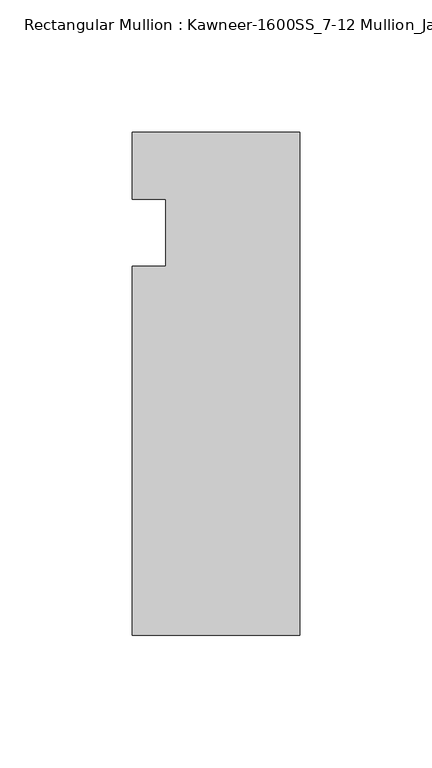
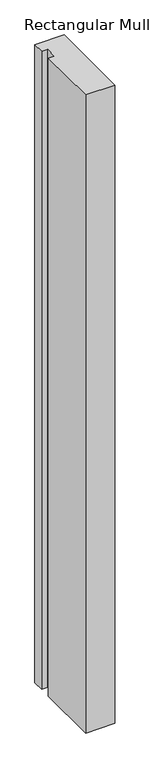
"""IFC4 building model written with IfcOpenShell, lengths in millimetres: member geometry, Rectangular Mullion : Kawneer-1600SS_7-12 Mullion_Jamb L."""

from ifc_helpers import new_model, si_unit, frame, origin, place, context, project, spatial, polyline, outline, extrude, source, transform, mapped, element, save


def rectangular_mullion_kawneer_1600ss_7_12_mullion_jamb_l_ce882c5d(model_context):
    return source(origin(), model_context, "Body", "SweptSolid", [
        extrude(outline(polyline([(-63.5, -152.4), (-63.5, -12.7), (-50.7982296, -12.7), (-50.7982296, 12.7), (-63.5, 12.7), (-63.5, 38.1), (0.0, 38.1), (0.0, -152.4), (-63.5, -152.4)])), frame((0.0, 0.0, -1463.04), z_axis=(0.0, 0.0, 1.0), x_axis=(1.0, 0.0, 0.0)), (0.0, 0.0, 1.0), 1463.04),
    ])


if __name__ == "__main__":
    model = new_model("IFC4")
    model_context = context("Model", 3, world=origin())
    ifc_project = project(units=[si_unit("LENGTHUNIT", "METRE", prefix="MILLI")], contexts=[model_context])
    site = spatial("IfcSite", under=ifc_project)
    building = spatial("IfcBuilding", under=site)
    placement = place(None, origin())
    rectangular_mullion_kawneer_1600ss_7_12_mullion_jamb_l_shape = rectangular_mullion_kawneer_1600ss_7_12_mullion_jamb_l_ce882c5d(model_context)
    element("IfcMember", 1, ObjectType="Rectangular Mullion : Kawneer-1600SS_7-12 Mullion_Jamb L", at=placement, inside=building, context=model_context, shape_type="MappedRepresentation", body=[
        mapped(rectangular_mullion_kawneer_1600ss_7_12_mullion_jamb_l_shape, transform((0.0, 0.0, 0.0), x_axis=(1.0, 0.0, 0.0), y_axis=(0.0, 1.0, 0.0), z_axis=(0.0, 0.0, 1.0))),
    ])
    save(model, "model.ifc")
